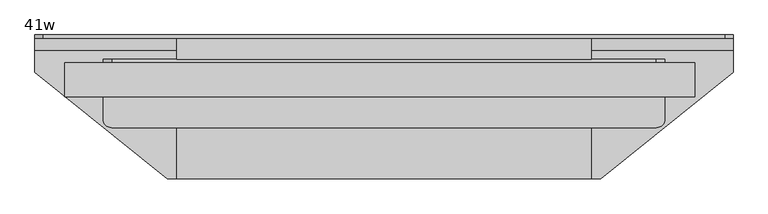
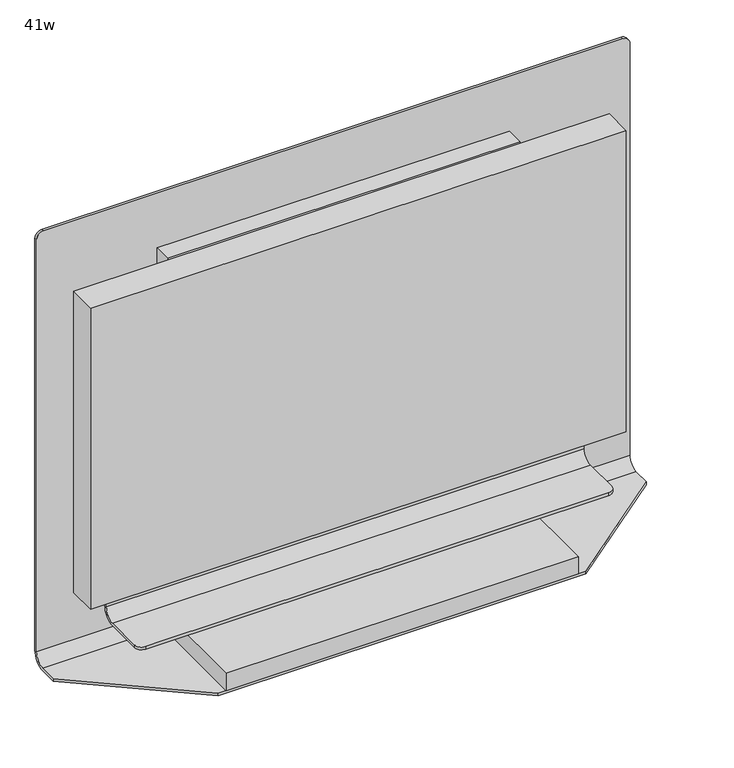
"""IFC4 building model written with IfcOpenShell, lengths in millimetres: furniture geometry, 41w."""

from ifc_helpers import new_model, si_unit, frame, origin, place, context, project, spatial, polyline, circle_curve, outline, extrude, source, transform, mapped, element, save
from ifc_brep_helpers import plane_surface, cylinder_surface, revolved_surface, advanced_brep


def furniture_41w_f9dc0a44(model_context):
    return source(origin(), model_context, "Body", "SolidModel", [
        extrude(outline(polyline([(679.45, -524.3972258), (-260.35, -524.3972258), (-260.35, -473.5972258), (679.45, -473.5972258), (679.45, -524.3972258)])), frame((0.0, 0.0, 809.625), z_axis=(0.0, 0.0, 1.0), x_axis=(1.0, 0.0, 0.0)), (0.0, 0.0, 1.0), 558.8),
        advanced_brep(
        [(-203.2, -492.6472258, 744.3470002), (-203.2, -557.7347288, 744.3470002), (-190.5, -570.4347288, 744.3470002), (622.3, -570.4347288, 744.3470002), (635.0, -557.7347288, 744.3470002), (635.0, -492.6472258, 744.3470002), (635.0, -492.6472258, 739.5845002), (635.0, -557.7347288, 739.5845002), (622.3, -570.4347288, 739.5845002), (-190.5, -570.4347288, 739.5845002), (-203.2, -557.7347288, 739.5845002), (-203.2, -492.6472258, 739.5845002), (-203.2, -473.5972258, 763.3970002), (-203.2, -473.5972258, 879.2844956), (-203.2, -468.8347258, 879.2844956), (-203.2, -468.8347258, 763.3970002), (635.0, -468.8347258, 763.3970002), (635.0, -468.8347258, 879.2844956), (635.0, -473.5972258, 879.2844956), (635.0, -473.5972258, 763.3970002), (622.3, -473.5972258, 891.9844956), (-190.5, -473.5972258, 891.9844956), (-190.5, -468.8347258, 891.9844956), (622.3, -468.8347258, 891.9844956)],
        [
            (0, 1),
            (1, 2, circle_curve(frame((-190.5, -557.7347288, 744.3470002), z_axis=(0.0, 0.0, 1.0), x_axis=(1.0, 0.0, 0.0)), 12.7)),
            (2, 3),
            (3, 4, circle_curve(frame((622.3, -557.7347288, 744.3470002), z_axis=(0.0, 0.0, 1.0), x_axis=(1.0, 0.0, 0.0)), 12.7)),
            (4, 5),
            (5, 0),
            (6, 7),
            (7, 8, circle_curve(frame((622.3, -557.7347288, 739.5845002), z_axis=(0.0, 0.0, -1.0), x_axis=(1.0, 0.0, 0.0)), 12.7)),
            (8, 9),
            (9, 10, circle_curve(frame((-190.5, -557.7347288, 739.5845002), z_axis=(0.0, 0.0, -1.0), x_axis=(1.0, 0.0, 0.0)), 12.7)),
            (10, 11),
            (11, 6),
            (0, 12, circle_curve(frame((-203.2, -492.6472258, 763.3970002), z_axis=(1.0, 0.0, 0.0), x_axis=(0.0, 1.0, 0.0)), 19.05)),
            (12, 13),
            (13, 14),
            (14, 15),
            (15, 11, circle_curve(frame((-203.2, -492.6472258, 763.3970002), z_axis=(-1.0, 0.0, 0.0), x_axis=(0.0, 1.0, 0.0)), 23.8125)),
            (10, 1),
            (9, 2),
            (8, 3),
            (7, 4),
            (6, 16, circle_curve(frame((635.0, -492.6472258, 763.3970002), z_axis=(1.0, 0.0, 0.0), x_axis=(0.0, 1.0, 0.0)), 23.8125)),
            (16, 17),
            (17, 18),
            (18, 19),
            (19, 5, circle_curve(frame((635.0, -492.6472258, 763.3970002), z_axis=(-1.0, 0.0, 0.0), x_axis=(0.0, 1.0, 0.0)), 19.05)),
            (12, 19),
            (18, 20, circle_curve(frame((622.3, -473.5972258, 879.2844956), z_axis=(0.0, -1.0, 0.0), x_axis=(0.0, 0.0, 1.0)), 12.7)),
            (20, 21),
            (21, 13, circle_curve(frame((-190.5, -473.5972258, 879.2844956), z_axis=(0.0, -1.0, 0.0), x_axis=(0.0, 0.0, 1.0)), 12.7)),
            (14, 22, circle_curve(frame((-190.5, -468.8347258, 879.2844956), z_axis=(0.0, 1.0, 0.0), x_axis=(0.0, 0.0, 1.0)), 12.7)),
            (22, 23),
            (23, 17, circle_curve(frame((622.3, -468.8347258, 879.2844956), z_axis=(0.0, 1.0, 0.0), x_axis=(0.0, 0.0, 1.0)), 12.7)),
            (16, 15),
            (23, 20),
            (21, 22),
        ],
        [
            plane_surface(frame((-203.2, -492.6472258, 744.3470002), z_axis=(0.0, 0.0, 1.0), x_axis=(-1.0, 0.0, 0.0))),
            plane_surface(frame((-203.2, -492.6472258, 739.5845002), z_axis=(0.0, 0.0, -1.0), x_axis=(1.0, 0.0, 0.0))),
            plane_surface(frame((-203.2, -492.6472258, 744.3470002), z_axis=(-1.0, 0.0, 0.0), x_axis=(0.0, 0.0, -1.0))),
            cylinder_surface(frame((-190.5, -557.7347288, 739.5845002), z_axis=(0.0, 0.0, 1.0), x_axis=(1.0, 0.0, 0.0)), 12.7),
            plane_surface(frame((-190.5, -570.4347288, 744.3470002), z_axis=(0.0, -1.0, 0.0), x_axis=(0.0, 0.0, -1.0))),
            cylinder_surface(frame((622.3, -557.7347288, 739.5845002), z_axis=(0.0, 0.0, 1.0), x_axis=(1.0, 0.0, 0.0)), 12.7),
            plane_surface(frame((635.0, -557.7347288, 744.3470002), z_axis=(1.0, 0.0, 0.0), x_axis=(0.0, 0.0, -1.0))),
            plane_surface(frame((-203.2, -473.5972258, 763.3970002), z_axis=(0.0, -1.0, 0.0), x_axis=(1.0, 0.0, 0.0))),
            plane_surface(frame((-203.2, -468.8347258, 764.9844956), z_axis=(0.0, 1.0, 0.0), x_axis=(1.0, 0.0, 0.0))),
            cylinder_surface(frame((635.0, -492.6472258, 763.3970002), z_axis=(-1.0, 0.0, 0.0), x_axis=(0.0, 1.0, 0.0)), 23.8125),
            revolved_surface(polyline([(635.0, -473.5972258, 763.3970002), (-203.20000000000005, -473.5972258, 763.3970002)]), (635.0, -492.6472258, 763.3970002), (1.0, 0.0, 0.0)),
            cylinder_surface(frame((622.3, -473.5972258, 879.2844956), z_axis=(0.0, 1.0, 0.0), x_axis=(0.0, 0.0, 1.0)), 12.7),
            cylinder_surface(frame((-190.5, -473.5972258, 879.2844956), z_axis=(0.0, 1.0, 0.0), x_axis=(0.0, 0.0, 1.0)), 12.7),
            plane_surface(frame((-190.5, -468.8347258, 891.9844956), z_axis=(0.0, 0.0, 1.0), x_axis=(0.0, -1.0, 0.0))),
        ],
        [
            (0, [[1, 2, 3, 4, 5, 6]]),
            (1, [[7, 8, 9, 10, 11, 12]]),
            (2, [[-1, 13, 14, 15, 16, 17, -11, 18]]),
            (3, [[-2, -18, -10, 19]]),
            (4, [[-3, -19, -9, 20]]),
            (5, [[-4, -20, -8, 21]]),
            (6, [[-5, -21, -7, 22, 23, 24, 25, 26]]),
            (7, [[-14, 27, -25, 28, 29, 30]]),
            (8, [[-16, 31, 32, 33, -23, 34]]),
            (9, [[-17, -34, -22, -12]]),
            (10, [[-13, -6, -26, -27]]),
            (11, [[-33, 35, -28, -24]]),
            (12, [[-31, -15, -30, 36]]),
            (13, [[-32, -36, -29, -35]]),
        ],
    ),
        extrude(outline(polyline([(-93.265625, -468.8347258), (-93.265625, -437.0847266), (525.065625, -437.0847266), (525.065625, -468.8347258), (-93.265625, -468.8347258)])), frame((0.0, 0.0, 706.4375), z_axis=(0.0, 0.0, 1.0), x_axis=(1.0, 0.0, 0.0)), (0.0, 0.0, 1.0), 661.9875),
        extrude(outline(polyline([(-93.265625, -646.6347266), (-93.265625, -468.8347258), (525.065625, -468.8347258), (525.065625, -646.6347266), (-93.265625, -646.6347266)])), frame((0.0, 0.0, 674.6875), z_axis=(0.0, 0.0, 1.0), x_axis=(1.0, 0.0, 0.0)), (0.0, 0.0, 1.0), 31.75),
        advanced_brep(
        [(-304.8, -437.0847266, 1457.325), (-304.8, -432.3222266, 1457.325), (-304.8, -432.3222266, 693.7375), (-304.8, -456.1347266, 669.925), (-304.8, -487.9781891, 669.925), (-304.8, -487.9781891, 674.6875), (-304.8, -456.1347266, 674.6875), (-304.8, -437.0847266, 693.7375), (736.6, -437.0847266, 693.7375), (736.6, -456.1347266, 674.6875), (736.6, -487.8847266, 674.6875), (736.6, -487.9781891, 669.925), (736.6, -456.1347266, 669.925), (736.6, -432.3222266, 693.7375), (736.6, -432.3222266, 1457.325), (736.6, -437.0847266, 1457.325), (723.9, -437.0847266, 1470.025), (-292.1, -437.0847266, 1470.025), (-292.1, -432.3222266, 1470.025), (723.9, -432.3222266, 1470.025), (538.8471368, -646.6347266, 669.925), (-107.0471368, -646.6347266, 669.925), (538.8471368, -646.6347266, 674.6875), (-107.0471368, -646.6347266, 674.6875)],
        [
            (0, 1),
            (1, 2),
            (2, 3, circle_curve(frame((-304.8, -456.1347266, 693.7375), z_axis=(-1.0, 0.0, 0.0), x_axis=(0.0, 1.0, 0.0)), 23.8125)),
            (3, 4),
            (4, 5),
            (5, 6),
            (6, 7, circle_curve(frame((-304.8, -456.1347266, 693.7375), z_axis=(1.0, 0.0, 0.0), x_axis=(0.0, 1.0, 0.0)), 19.05)),
            (7, 0),
            (8, 9, circle_curve(frame((736.6, -456.1347266, 693.7375), z_axis=(-1.0, 0.0, 0.0), x_axis=(0.0, 1.0, 0.0)), 19.05)),
            (9, 10),
            (10, 11),
            (11, 12),
            (12, 13, circle_curve(frame((736.6, -456.1347266, 693.7375), z_axis=(1.0, 0.0, 0.0), x_axis=(0.0, 1.0, 0.0)), 23.8125)),
            (13, 14),
            (14, 15),
            (15, 8),
            (7, 8),
            (15, 16, circle_curve(frame((723.9, -437.0847266, 1457.325), z_axis=(0.0, -1.0, 0.0), x_axis=(0.0, 0.0, 1.0)), 12.7)),
            (16, 17),
            (17, 0, circle_curve(frame((-292.1, -437.0847266, 1457.325), z_axis=(0.0, -1.0, 0.0), x_axis=(0.0, 0.0, 1.0)), 12.7)),
            (1, 18, circle_curve(frame((-292.1, -432.3222266, 1457.325), z_axis=(0.0, 1.0, 0.0), x_axis=(0.0, 0.0, 1.0)), 12.7)),
            (18, 19),
            (19, 14, circle_curve(frame((723.9, -432.3222266, 1457.325), z_axis=(0.0, 1.0, 0.0), x_axis=(0.0, 0.0, 1.0)), 12.7)),
            (13, 2),
            (12, 3),
            (11, 20),
            (20, 21),
            (21, 4),
            (20, 22),
            (22, 23),
            (23, 21),
            (9, 6),
            (5, 23),
            (22, 10),
            (18, 17),
            (16, 19),
        ],
        [
            plane_surface(frame((-304.8, -437.0847266, 706.4375), z_axis=(-1.0, 0.0, 0.0), x_axis=(0.0, 0.0, 1.0))),
            plane_surface(frame((736.6, -437.0847266, 706.4375), z_axis=(1.0, 0.0, 0.0), x_axis=(0.0, 0.0, -1.0))),
            plane_surface(frame((-304.8, -437.0847266, 693.7375), z_axis=(0.0, -1.0, 0.0), x_axis=(1.0, 0.0, 0.0))),
            plane_surface(frame((-304.8, -432.3222266, 706.4375), z_axis=(0.0, 1.0, 1.422861828356057e-12), x_axis=(1.0, 0.0, 0.0))),
            cylinder_surface(frame((736.6, -456.1347266, 693.7375), z_axis=(-1.0, 0.0, 0.0), x_axis=(0.0, 1.0, 0.0)), 23.8125),
            plane_surface(frame((-304.8, -456.1347266, 669.925), z_axis=(0.0, 0.0, -1.0), x_axis=(1.0, 0.0, 0.0))),
            plane_surface(frame((-304.8, -646.6347266, 669.925), z_axis=(0.0, -1.0, 0.0), x_axis=(1.0, 0.0, 0.0))),
            plane_surface(frame((-304.8, -646.6347266, 674.6875), z_axis=(0.0, 0.0, 1.0), x_axis=(1.0, 0.0, 0.0))),
            revolved_surface(polyline([(736.6, -437.0847266, 693.7375), (-304.80000000000007, -437.0847266, 693.7375)]), (736.6, -456.1347266, 693.7375), (1.0, 0.0, 0.0)),
            plane_surface(frame((736.7164937, -487.8847266, 674.6875), z_axis=(0.6257869241192356, -0.7799940548500265, 0.0), x_axis=(0.0, 0.0, -1.0))),
            plane_surface(frame((-107.0471368, -646.6347266, 674.6875), z_axis=(-0.6257869241192356, -0.7799940548500265, 0.0), x_axis=(0.0, 0.0, -1.0))),
            plane_surface(frame((-292.1, -432.3222266, 1470.025), z_axis=(0.0, 0.0, 1.0), x_axis=(0.0, -1.0, 0.0))),
            cylinder_surface(frame((723.9, -437.0847266, 1457.325), z_axis=(0.0, 1.0, 0.0), x_axis=(0.0, 0.0, 1.0)), 12.7),
            cylinder_surface(frame((-292.1, -437.0847266, 1457.325), z_axis=(0.0, 1.0, 0.0), x_axis=(0.0, 0.0, 1.0)), 12.7),
        ],
        [
            (0, [[1, 2, 3, 4, 5, 6, 7, 8]]),
            (1, [[9, 10, 11, 12, 13, 14, 15, 16]]),
            (2, [[-8, 17, -16, 18, 19, 20]]),
            (3, [[-2, 21, 22, 23, -14, 24]]),
            (4, [[-3, -24, -13, 25]]),
            (5, [[-25, -12, 26, 27, 28, -4]]),
            (6, [[-27, 29, 30, 31]]),
            (7, [[32, -6, 33, -30, 34, -10]]),
            (8, [[-7, -32, -9, -17]]),
            (9, [[-11, -34, -29, -26]]),
            (10, [[-5, -28, -31, -33]]),
            (11, [[-22, 35, -19, 36]]),
            (12, [[-23, -36, -18, -15]]),
            (13, [[-21, -1, -20, -35]]),
        ],
    ),
    ])


if __name__ == "__main__":
    model = new_model("IFC4")
    model_context = context("Model", 3, world=origin())
    ifc_project = project(units=[si_unit("LENGTHUNIT", "METRE", prefix="MILLI")], contexts=[model_context])
    site = spatial("IfcSite", under=ifc_project)
    building = spatial("IfcBuilding", under=site)
    placement = place(None, origin())
    furniture_41w_shape = furniture_41w_f9dc0a44(model_context)
    element("IfcFurniture", 1, ObjectType="41w", at=placement, inside=building, context=model_context, shape_type="MappedRepresentation", body=[
        mapped(furniture_41w_shape, transform((0.0, 0.0, 0.0), x_axis=(1.0, 0.0, 0.0), y_axis=(0.0, 1.0, 0.0), z_axis=(0.0, 0.0, 1.0))),
    ])
    save(model, "model.ifc")
